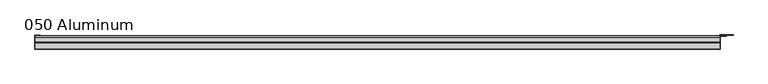
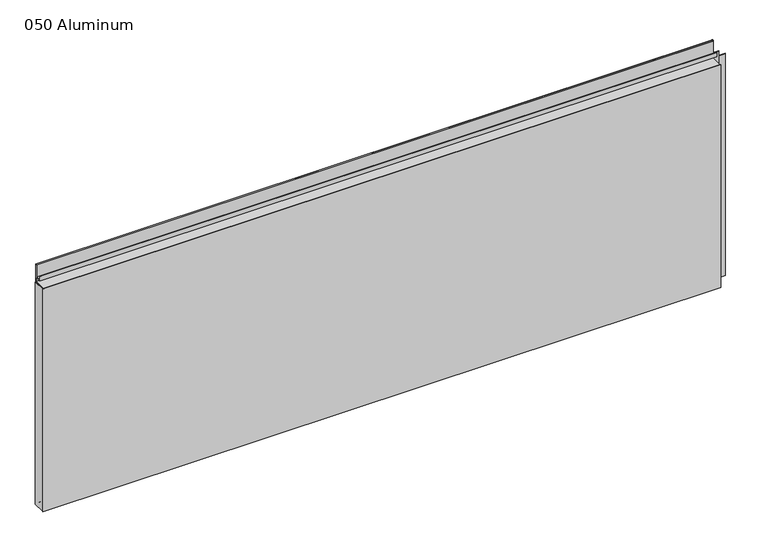
"""IFC4 building model written with IfcOpenShell, lengths in millimetres: plate geometry, 050 Aluminum."""

from ifc_helpers import new_model, si_unit, point, frame, frame_2d, origin, origin_with_axes, place, context, project, spatial, polyline, circle_curve, trimmed, segment, composite_curve, outline, extrude, source, transform, mapped, element, save


def plate_050_aluminum_2fc098b6(model_context):
    return source(origin(), model_context, "Body", "SweptSolid", [
        extrude(outline(polyline([(-881.38, -2.5660257), (-881.38, -34.7980001), (-882.6499999, -34.7980001), (-882.6499999, -1.2699999), (-868.4894994, -1.2699999), (-868.4894994, -2.5660257), (-881.38, -2.5660257)])), origin_with_axes(), (0.0, 0.0, 1.0), 608.33),
        extrude(outline(composite_curve([segment(polyline([(-16.6765477, 13.1458337), (-16.6765477, 2.786437), (-17.9464915, 2.786437), (-17.9464915, 13.1323356)]), True, "CONTINUOUS"), segment(trimmed(circle_curve(frame_2d((-19.8514743, 13.124237)), 1.905), [point((-17.9464915, 13.1323356))], [point((-21.7564743, 13.124237))], True, "CARTESIAN"), True, "CONTINUOUS"), segment(polyline([(-21.7564743, 13.124237), (-21.7564743, 0.0), (-34.7980002, 0.0), (-34.7980002, 1.2693678), (-23.0264743, 1.2693678), (-23.0264743, 13.124237)]), True, "CONTINUOUS"), segment(trimmed(circle_curve(frame_2d((-19.8514743, 13.124237)), 3.175), [point((-23.0264743, 13.124237))], [point((-16.6765477, 13.1458337))], False, "CARTESIAN"), True, "CONTINUOUS")], self_intersect=False)), frame((-881.38, 0.0, 0.0), z_axis=(1.0, 0.0, 0.0), x_axis=(0.0, 1.0, 0.0)), (0.0, 0.0, 1.0), 1750.06),
        extrude(outline(composite_curve([segment(polyline([(-2.0574743, 656.7932001), (-2.0574743, 608.33), (-34.7980002, 608.33), (-34.7980002, 609.6000001), (-3.3274743, 609.6000001), (-3.3274743, 656.7932001)]), True, "CONTINUOUS"), segment(trimmed(circle_curve(frame_2d((-3.7084742, 656.7932001)), 0.3809999), [point((-3.3274743, 656.7932001))], [point((-4.0894742, 656.7932001))], True, "CARTESIAN"), True, "CONTINUOUS"), segment(polyline([(-4.0894742, 656.7932001), (-4.0894742, 622.3), (-20.4864742, 622.3), (-20.4864742, 633.6538), (-19.2164743, 633.6538), (-19.2164743, 623.57), (-5.3594742, 623.57), (-5.3594742, 656.7932001)]), True, "CONTINUOUS"), segment(trimmed(circle_curve(frame_2d((-3.7084742, 656.7932001)), 1.6509999), [point((-5.3594742, 656.7932001))], [point((-2.0574743, 656.7932001))], False, "CARTESIAN"), True, "CONTINUOUS")], self_intersect=False)), frame((-881.38, 0.0, 0.0), z_axis=(1.0, 0.0, 0.0), x_axis=(0.0, 1.0, 0.0)), (0.0, 0.0, 1.0), 1750.06),
        extrude(outline(polyline([(-882.65, -36.068), (-882.65, -34.7980001), (869.95, -34.7980001), (869.95, -36.068), (-882.65, -36.068)])), origin_with_axes(), (0.0, 0.0, 1.0), 609.6),
        extrude(outline(polyline([(869.95, -1.2699999), (869.95, -34.7980002), (868.6800001, -34.7980002), (868.6800001, 0.0), (902.4620856, 0.0), (902.4620856, -1.2699999), (869.95, -1.2699999)])), origin_with_axes(), (0.0, 0.0, 1.0), 608.33),
        extrude(outline(polyline([(868.68, -3.3274743), (868.68, -2.0574743), (884.4279999, -2.0574743), (884.4279999, -3.3274743), (868.68, -3.3274743)])), origin_with_axes(), (0.0, 0.0, 1.0), 622.3),
    ])


if __name__ == "__main__":
    model = new_model("IFC4")
    model_context = context("Model", 3, world=origin())
    ifc_project = project(units=[si_unit("LENGTHUNIT", "METRE", prefix="MILLI")], contexts=[model_context])
    site = spatial("IfcSite", under=ifc_project)
    building = spatial("IfcBuilding", under=site)
    placement = place(None, origin())
    plate_050_aluminum_shape = plate_050_aluminum_2fc098b6(model_context)
    element("IfcPlate", 1, ObjectType="050 Aluminum", at=placement, inside=building, context=model_context, shape_type="MappedRepresentation", body=[
        mapped(plate_050_aluminum_shape, transform((0.0, 0.0, 0.0), x_axis=(1.0, 0.0, 0.0), y_axis=(0.0, 1.0, 0.0), z_axis=(0.0, 0.0, 1.0))),
    ])
    save(model, "model.ifc")
